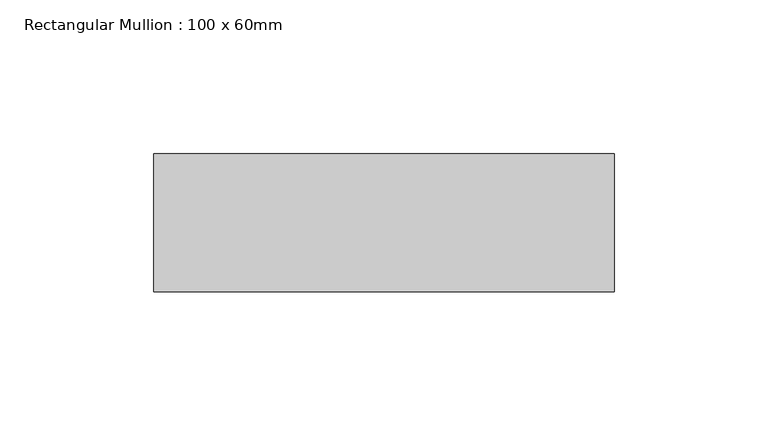
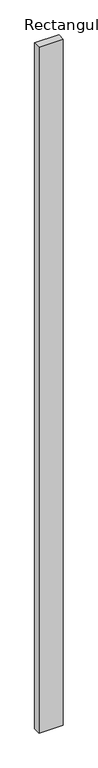
"""IFC4 building model written with IfcOpenShell, lengths in millimetres: member geometry, Rectangular Mullion : 100 x 60mm."""

from ifc_helpers import new_model, si_unit, frame, origin, place, context, project, spatial, polyline, outline, extrude, source, transform, mapped, element, save


def rectangular_mullion_100_x_60mm_0e1682fd(model_context):
    return source(origin(), model_context, "Body", "SweptSolid", [
        extrude(outline(polyline([(-150.0, 30.0), (0.0, 30.0), (0.0, -15.0), (-150.0, -15.0), (-150.0, 30.0)])), frame((0.0, 0.0, -4478.5270378), z_axis=(0.0, 0.0, 1.0), x_axis=(1.0, 0.0, 0.0)), (0.0, 0.0, 1.0), 4478.5270378),
    ])


if __name__ == "__main__":
    model = new_model("IFC4")
    model_context = context("Model", 3, world=origin())
    ifc_project = project(units=[si_unit("LENGTHUNIT", "METRE", prefix="MILLI")], contexts=[model_context])
    site = spatial("IfcSite", under=ifc_project)
    building = spatial("IfcBuilding", under=site)
    placement = place(None, origin())
    rectangular_mullion_100_x_60mm_shape = rectangular_mullion_100_x_60mm_0e1682fd(model_context)
    element("IfcMember", 1, ObjectType="Rectangular Mullion : 100 x 60mm", at=placement, inside=building, context=model_context, shape_type="MappedRepresentation", body=[
        mapped(rectangular_mullion_100_x_60mm_shape, transform((0.0, 0.0, 0.0), x_axis=(1.0, 0.0, 0.0), y_axis=(0.0, 1.0, 0.0), z_axis=(0.0, 0.0, 1.0))),
    ])
    save(model, "model.ifc")
